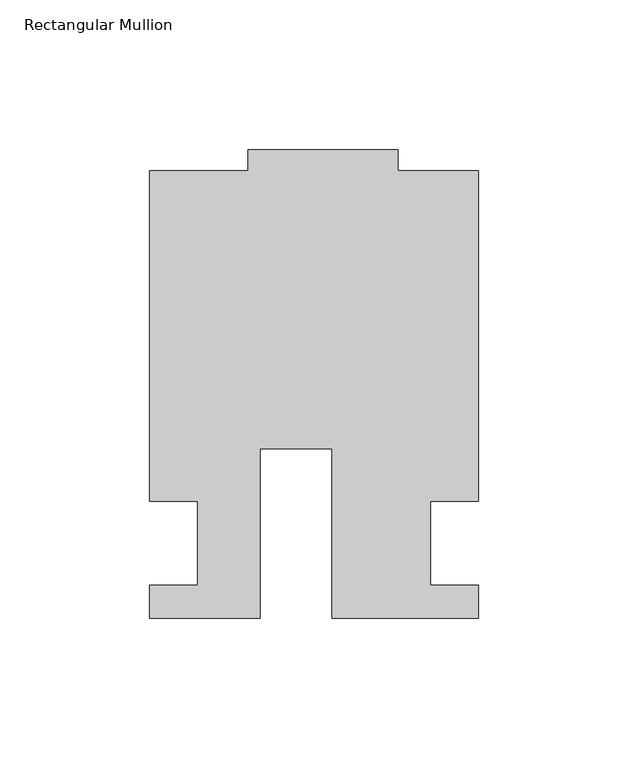
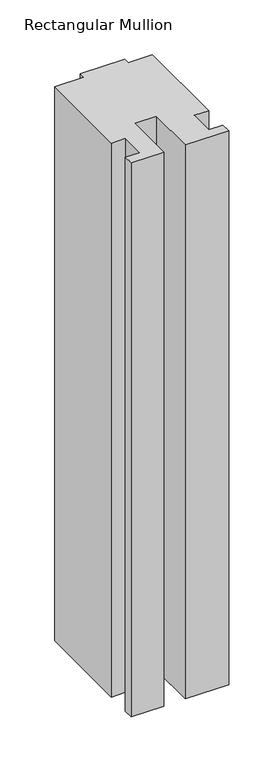
"""IFC4 building model written with IfcOpenShell, lengths in millimetres: member geometry, Rectangular Mullion."""

from ifc_helpers import new_model, si_unit, frame, origin, place, context, project, spatial, polyline, outline, extrude, source, transform, mapped, element, save


def rectangular_mullion_ea36b752(model_context):
    return source(origin(), model_context, "Body", "SweptSolid", [
        extrude(outline(polyline([(-24.0309529, -25.0), (-60.9971154, -25.0), (-60.9971154, -14.0), (-44.9942308, -14.0), (-44.9942308, 13.9998907), (-60.9971154, 13.9998907), (-60.9971154, 124.4999439), (-27.9971154, 124.4999439), (-27.9971154, 131.5), (22.0028846, 131.5), (22.0028846, 124.5), (49.0, 124.5), (49.0, 14.0), (33.0, 14.0), (33.0, -14.0), (49.0, -14.0), (49.0, -25.0), (0.0028846, -25.0), (0.0028846, 31.6008577), (-24.0309529, 31.6008577), (-24.0309529, -25.0)])), frame((0.0, 0.0, -661.5615776), z_axis=(0.0, 0.0, 1.0), x_axis=(1.0, 0.0, 0.0)), (0.0, 0.0, 1.0), 661.5615776),
    ])


if __name__ == "__main__":
    model = new_model("IFC4")
    model_context = context("Model", 3, world=origin())
    ifc_project = project(units=[si_unit("LENGTHUNIT", "METRE", prefix="MILLI")], contexts=[model_context])
    site = spatial("IfcSite", under=ifc_project)
    building = spatial("IfcBuilding", under=site)
    placement = place(None, origin())
    rectangular_mullion_shape = rectangular_mullion_ea36b752(model_context)
    element("IfcMember", 1, ObjectType="Rectangular Mullion", at=placement, inside=building, context=model_context, shape_type="MappedRepresentation", body=[
        mapped(rectangular_mullion_shape, transform((0.0, 0.0, 0.0), x_axis=(1.0, 0.0, 0.0), y_axis=(0.0, 1.0, 0.0), z_axis=(0.0, 0.0, 1.0))),
    ])
    save(model, "model.ifc")
